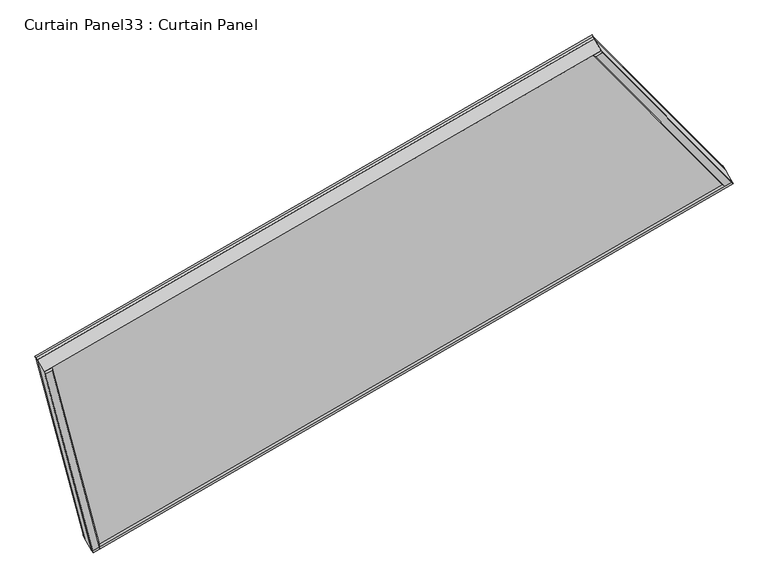
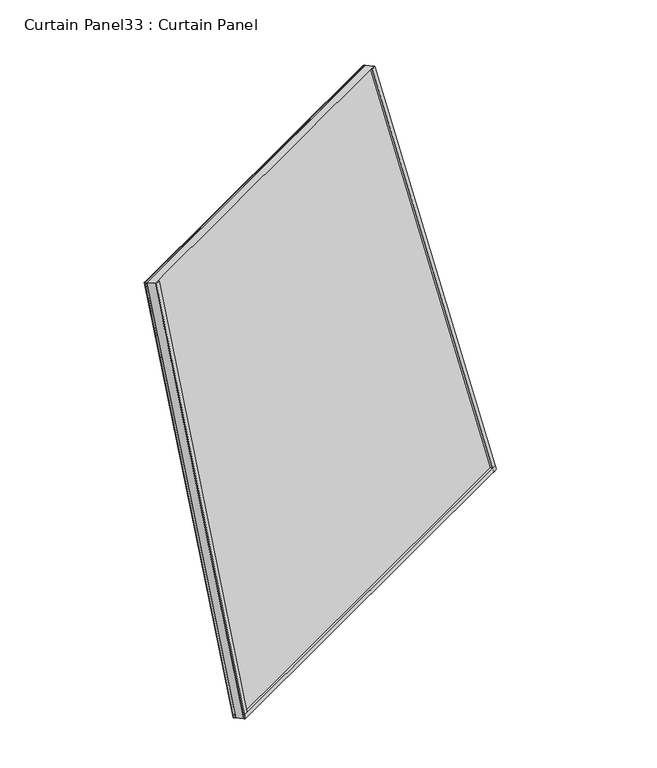
"""IFC4 building model written with IfcOpenShell, lengths in millimetres: plate geometry, Curtain Panel33 : Curtain Panel."""

from ifc_helpers import new_model, si_unit, frame, origin, place, context, project, spatial, polyline, outline, extrude, source, transform, mapped, element, save


def curtain_panel33_curtain_panel_bc485ed8(model_context):
    return source(origin(), model_context, "Body", "SweptSolid", [
        extrude(outline(polyline([(41.5313813, -0.3142864), (41.5313813, -12.7431514), (36.8101563, -17.175081), (36.8101562, -0.3142864), (41.5313813, -0.3142864)])), frame((-11409.95599, -16622.5172751, 980.1683943), z_axis=(0.8660254037844392, 0.49999999999999906, 0.0), x_axis=(0.4840501729431866, -0.8383994929501034, 0.2505628070857301)), (0.0, 0.0, 1.0), 1545.7651943),
        extrude(outline(polyline([(6.6476562, -0.3142863), (6.6476563, -11.8475973), (-0.0992188, -10.6497377), (-0.0992187, -0.3142864), (6.6476562, -0.3142863)])), frame((-11409.95599, -16622.5172751, 980.1683943), z_axis=(0.8660254037844392, 0.49999999999999906, 0.0), x_axis=(0.4840501729431866, -0.8383994929501034, 0.2505628070857301)), (0.0, 0.0, 1.0), 1545.7651943),
        extrude(outline(polyline([(1.8375616, -0.3142862), (-3.1116577, 0.6020307), (-0.3262332, 11.3750595), (6.6476562, 13.273734), (6.6476563, -0.3142862), (1.8375616, -0.3142862)])), frame((-11510.0813025, -16248.8445228, 2423.9290428), z_axis=(0.8660254037844393, 0.49999999999999883, 0.0), x_axis=(0.4840501729431866, -0.8383994929501034, 0.2505628070857301)), (0.0, 0.0, 1.0), 1345.5145704),
        extrude(outline(polyline([(36.8101563, -19.5713699), (36.8101563, -0.3943922), (41.5446643, -0.3943922), (41.5540429, -16.5221545), (36.8101563, -19.5713699)])), frame((-10071.2657898, -15849.6241276, 980.1683943), z_axis=(-0.1830127018922169, 0.1830127018922191, 0.9659258262890689), x_axis=(0.4840501729431867, -0.8383994929501034, 0.2505628070857301)), (0.0, 0.0, 1.0), 1494.6910096),
        extrude(outline(polyline([(0.2976563, 0.0), (6.6476563, 0.0), (6.6476563, -11.5006307), (0.3026658, -13.1428351), (-2.8857054, -0.8239146), (0.2976563, 0.0)])), frame((-10071.2657898, -15849.6241276, 980.1683943), z_axis=(-0.1830127018922169, 0.1830127018922191, 0.9659258262890689), x_axis=(0.4840501729431867, -0.8383994929501034, 0.2505628070857301)), (0.0, 0.0, 1.0), 1494.6910096),
        extrude(outline(polyline([(36.8101562, 19.5641175), (41.5536665, 16.5409088), (41.5444967, 0.3750493), (36.8101562, 0.3750493), (36.8101562, 19.5641175)])), frame((-11409.95599, -16622.5172751, 980.1683943), z_axis=(-0.06698729810777972, 0.24999999999999875, 0.9659258262890686), x_axis=(0.4840501729431867, -0.8383994929501033, 0.2505628070857301)), (0.0, 0.0, 1.0), 1494.6910096),
        extrude(outline(polyline([(0.2976562, -0.0210532), (-2.8857838, 0.8028817), (0.2963639, 13.0977561), (6.6476562, 11.4539207), (6.6476562, -0.0210532), (0.2976562, -0.0210532)])), frame((-11409.95599, -16622.5172751, 980.1683943), z_axis=(-0.06698729810777972, 0.24999999999999875, 0.9659258262890686), x_axis=(0.4840501729431867, -0.8383994929501033, 0.2505628070857301)), (0.0, 0.0, 1.0), 1494.6910096),
        extrude(outline(polyline([(-69.1681417, 0.0), (-172.7147756, -1542.2931403), (-1653.9915368, -1342.4923131), (-1563.8591512, 0.0), (-69.1681417, 0.0)])), frame((-10055.44699, -15867.7985199, 915.327016), z_axis=(0.4840501729431866, -0.8383994929501033, 0.2505628070857301), x_axis=(0.18301270189221808, -0.18301270189221847, -0.9659258262890688)), (0.0, 0.0, 1.0), 30.1625),
    ])


if __name__ == "__main__":
    model = new_model("IFC4")
    model_context = context("Model", 3, world=origin())
    ifc_project = project(units=[si_unit("LENGTHUNIT", "METRE", prefix="MILLI")], contexts=[model_context])
    site = spatial("IfcSite", under=ifc_project)
    building = spatial("IfcBuilding", under=site)
    placement = place(None, origin())
    curtain_panel33_curtain_panel_shape = curtain_panel33_curtain_panel_bc485ed8(model_context)
    element("IfcPlate", 1, ObjectType="Curtain Panel33 : Curtain Panel", at=placement, inside=building, context=model_context, shape_type="MappedRepresentation", body=[
        mapped(curtain_panel33_curtain_panel_shape, transform((0.0, 0.0, 0.0), x_axis=(1.0, 0.0, 0.0), y_axis=(0.0, 1.0, 0.0), z_axis=(0.0, 0.0, 1.0))),
    ])
    save(model, "model.ifc")
